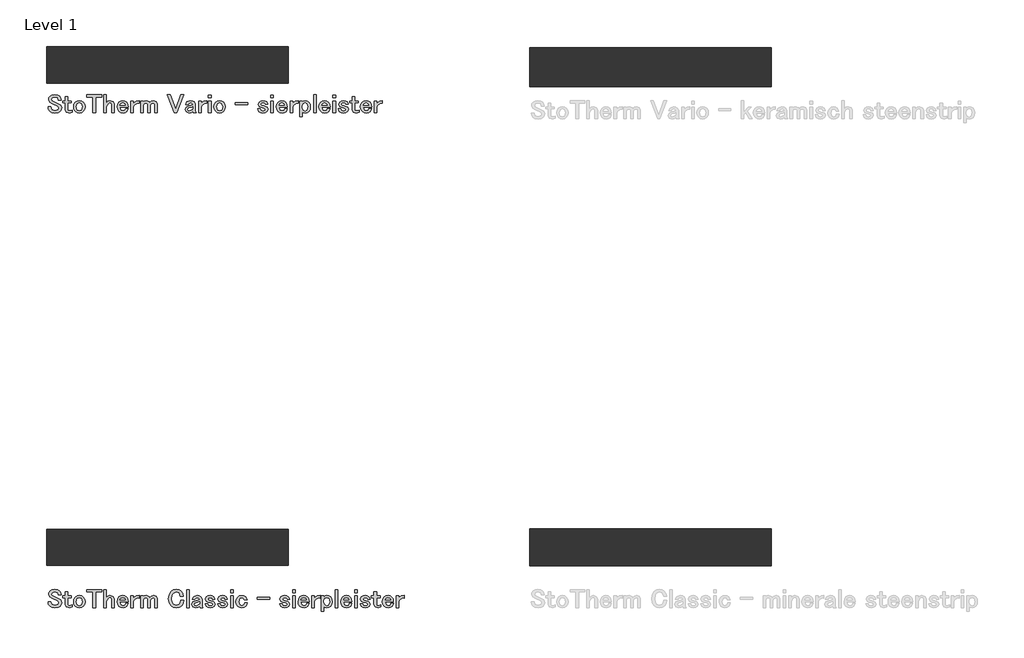
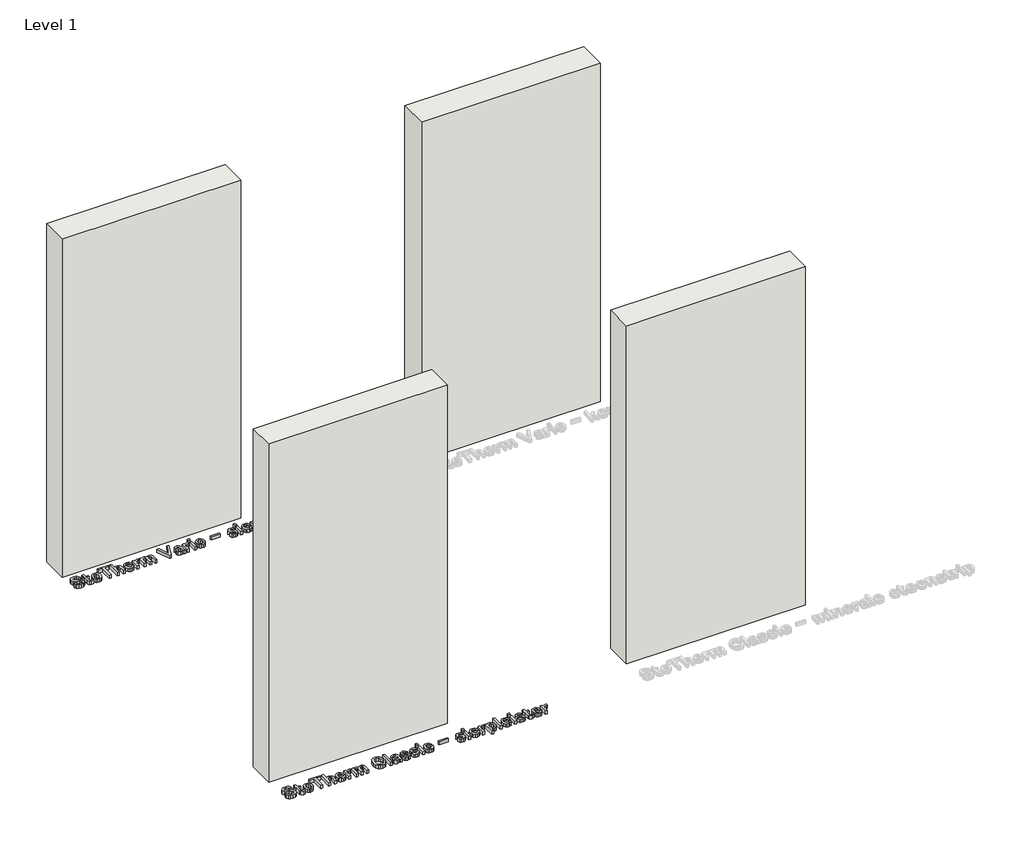
# One storey, part 1 of 3: 4 walls, 2 proxies.
"""IFC4 building model written with IfcOpenShell, lengths in millimetres."""

import ifcopenshell
import ifcopenshell.guid

model = None  # the IFC model being written
_history = None  # IfcOwnerHistory: only IFC2X3 demands one
_inside = {}  # id of a spatial element -> (the spatial element, [elements in it])
_under = {}  # id of a project, library or spatial element -> (it, [spatial elements below it])
_declared = {}  # id of a project -> (the project, [libraries it declares])
_typed = {}  # id of a type object -> (the type object, [elements of that type])
_made_of = {}  # id of a material, layer set ... -> (it, [elements and type objects made of it])


def new_model(schema):
    """Start an empty IFC model of exactly this schema.

    Asked for "IFC4X3", IfcOpenShell would pick the latest addendum, in which some entities
    have other attributes; the version numbers below select the first issue.
    IFC2X3 requires an IfcOwnerHistory on every rooted entity: one is made here for all.
    """
    global model, _history
    if schema == "IFC4X3":
        model = ifcopenshell.file(schema_version=(4, 3, 0, 0))
    else:
        model = ifcopenshell.file(schema=schema)
    _inside.clear()
    _under.clear()
    _declared.clear()
    _typed.clear()
    _made_of.clear()
    _history = None
    if model.schema == "IFC2X3":
        org = make("IfcOrganization", Name="unknown")
        user = make(
            "IfcPersonAndOrganization",
            ThePerson=make("IfcPerson", FamilyName="unknown"),
            TheOrganization=org,
        )
        app = make(
            "IfcApplication",
            ApplicationDeveloper=org,
            Version="unknown",
            ApplicationFullName="unknown",
            ApplicationIdentifier="unknown",
        )
        _history = make(
            "IfcOwnerHistory",
            OwningUser=user,
            OwningApplication=app,
            ChangeAction="ADDED",
            CreationDate=0,
        )
    return model


def make(cls, **values):
    """One entity of the class cls with the attributes given. An attribute that is None is left unset."""
    return model.create_entity(
        cls, **{name: value for name, value in values.items() if value is not None}
    )


def rooted(cls, **values):
    """An entity with a GlobalId (a new one), such as an element, a storey or a relation."""
    return make(cls, GlobalId=ifcopenshell.guid.new(), OwnerHistory=_history, **values)


def si_unit(unit_type, name, prefix=None):
    """IfcSIUnit, for example si_unit("LENGTHUNIT", "METRE", prefix="MILLI")."""
    return make("IfcSIUnit", UnitType=unit_type, Prefix=prefix, Name=name)


def assignment(units):
    """IfcUnitAssignment: the units of a project."""
    return None if units is None else make("IfcUnitAssignment", Units=units)


def point(xyz):
    """IfcCartesianPoint."""
    return None if xyz is None else make("IfcCartesianPoint", Coordinates=xyz)


def direction(xyz):
    """IfcDirection."""
    return None if xyz is None else make("IfcDirection", DirectionRatios=xyz)


def frame(location, z_axis=None, x_axis=None):
    """IfcAxis2Placement3D, a coordinate frame: its origin and axes. An axis left out is left unset."""
    return make(
        "IfcAxis2Placement3D",
        Location=point(location),
        Axis=direction(z_axis),
        RefDirection=direction(x_axis),
    )


def origin():
    """The frame at (0, 0, 0) with its axes left unset."""
    return frame((0.0, 0.0, 0.0))


def origin_with_axes():
    """The frame at (0, 0, 0) with the z axis (0, 0, 1) and the x axis (1, 0, 0) written out."""
    return frame((0.0, 0.0, 0.0), z_axis=(0.0, 0.0, 1.0), x_axis=(1.0, 0.0, 0.0))


def place(relative_to, where):
    """IfcLocalPlacement: puts the frame where relative to a parent placement (None: the world)."""
    return make(
        "IfcLocalPlacement", PlacementRelTo=relative_to, RelativePlacement=where
    )


def context(
    kind, dimensions, precision=None, world=None, true_north=None, identifier=None
):
    """IfcGeometricRepresentationContext, for example the 3D "Model" context."""
    return make(
        "IfcGeometricRepresentationContext",
        ContextIdentifier=identifier,
        ContextType=kind,
        CoordinateSpaceDimension=dimensions,
        Precision=precision,
        WorldCoordinateSystem=world,
        TrueNorth=true_north,
    )


def project(units=None, contexts=None):
    """IfcProject with its units and contexts."""
    return rooted(
        "IfcProject",
        Name="project",
        RepresentationContexts=contexts,
        UnitsInContext=assignment(units),
    )


def spatial(cls, under=None, at=None, **own):
    """A site, building, storey or space (cls), placed at a placement, below another one or the project."""
    s = rooted(cls, ObjectPlacement=at, **own)
    if under is not None:
        _under.setdefault(under.id(), (under, []))[1].append(s)
    return s


def polyline(points):
    """IfcPolyline through the points."""
    return make("IfcPolyline", Points=[point(p) for p in points])


def outline(outer, holes=None, kind="AREA"):
    """IfcArbitraryClosedProfileDef: a profile drawn as a closed curve; with holes, ...WithVoids."""
    if holes is None:
        return make("IfcArbitraryClosedProfileDef", ProfileType=kind, OuterCurve=outer)
    return make(
        "IfcArbitraryProfileDefWithVoids",
        ProfileType=kind,
        OuterCurve=outer,
        InnerCurves=holes,
    )


def extrude(swept, where, along, depth):
    """IfcExtrudedAreaSolid: the profile swept, set in the frame where, extruded along a direction by depth."""
    return make(
        "IfcExtrudedAreaSolid",
        SweptArea=swept,
        Position=where,
        ExtrudedDirection=direction(along),
        Depth=depth,
    )


def shape(context_of_items, identifier, shape_type, items):
    """IfcShapeRepresentation: the items that make up one representation, for example the "Body"."""
    return make(
        "IfcShapeRepresentation",
        ContextOfItems=context_of_items,
        RepresentationIdentifier=identifier,
        RepresentationType=shape_type,
        Items=items,
    )


def made_of(thing, what):
    """Note that an element or type object is made of a material, layer set ...; save() writes the relation."""
    if what is not None:
        _made_of.setdefault(what.id(), (what, []))[1].append(thing)
    return thing


def element(
    cls,
    number,
    at=None,
    inside=None,
    cuts=None,
    type_object=None,
    material=None,
    context=None,
    identifier="Body",
    shape_type=None,
    held_by="IfcProductDefinitionShape",
    body=None,
    shapes=None,
    **own,
):
    """One element of the class cls, such as IfcWall. Its Tag is "e" and its number.

    at: its placement. inside: the storey or other place that contains it. cuts: it is an
    opening in that element (IfcRelVoidsElement). A single representation is given by context,
    identifier, shape_type and body (its items); several are given by shapes. held_by: the class
    of the entity that holds the representations. save() writes the other relations.
    """
    e = rooted(cls, Tag="e%d" % number, ObjectPlacement=at, **own)
    if body is not None:
        shapes = [shape(context, identifier, shape_type, body)]
    if shapes is not None:
        e.Representation = make(held_by, Representations=shapes)
    if inside is not None:
        _inside.setdefault(inside.id(), (inside, []))[1].append(e)
    if cuts is not None:
        rooted(
            "IfcRelVoidsElement", RelatingBuildingElement=cuts, RelatedOpeningElement=e
        )
    if type_object is not None:
        _typed.setdefault(type_object.id(), (type_object, []))[1].append(e)
    return made_of(e, material)


def aggregate(whole, parts):
    """IfcRelAggregates: a whole, such as a stair, and the parts it consists of."""
    return rooted("IfcRelAggregates", RelatingObject=whole, RelatedObjects=parts)


def save(model, path):
    """Write the relations noted so far, then the file.

    IfcRelAggregates (storeys below a building ...), IfcRelContainedInSpatialStructure (elements
    in a storey), IfcRelDefinesByType, IfcRelAssociatesMaterial and IfcRelDeclares: one each for
    every whole, place, type object, material and project.
    """
    for whole, parts in _under.values():
        aggregate(whole, parts)
    for where, things in _inside.values():
        rooted(
            "IfcRelContainedInSpatialStructure",
            RelatedElements=things,
            RelatingStructure=where,
        )
    for kind, things in _typed.values():
        rooted("IfcRelDefinesByType", RelatedObjects=things, RelatingType=kind)
    for what, things in _made_of.values():
        rooted("IfcRelAssociatesMaterial", RelatedObjects=things, RelatingMaterial=what)
    for by, libraries in _declared.values():
        rooted("IfcRelDeclares", RelatingContext=by, RelatedDefinitions=libraries)
    model.write(path)


model = new_model("IFC4")

# Units and contexts
model_context = context("Model", 3, world=origin())
ifc_project = project(units=[si_unit("LENGTHUNIT", "METRE", prefix="MILLI")], contexts=[model_context])

# Site, building, storey
site = spatial("IfcSite", under=ifc_project)
building = spatial("IfcBuilding", under=site)
storey = spatial("IfcBuildingStorey", under=building, Name="Level 1", Elevation=0.0)

# Proxies
placement = place(None, origin())
element("IfcBuildingElementProxy", 1, Name="Generic Models", at=placement, inside=storey, context=model_context, shape_type="SweptSolid", body=[
    extrude(outline(polyline([(2967.1007315, 1042.1164993), (2968.6740526, 1049.8322385), (2973.394016, 1056.5996746), (2981.2390693, 1061.1903239), (2992.5324976, 1062.7205403), (3004.6621568, 1060.9748004), (3013.3606829, 1055.7375808), (3018.0935777, 1048.8322097), (3019.6712093, 1040.7026656), (3007.6536222, 1040.7026656), (3004.5500846, 1049.3925707), (2993.3945913, 1053.082332), (2981.7908093, 1049.8236176), (2979.1355605, 1043.3923981), (2980.5149105, 1038.2370774), (2987.8427075, 1034.0817854), (3010.0157591, 1024.2711584), (3016.7745742, 1019.8917221), (3021.8092018, 1008.4086332), (3020.2315702, 1000.3782297), (3015.4986754, 993.494411), (3006.8001494, 988.5804766), (2993.8083963, 986.9424984), (2980.8166433, 988.8994513), (2971.2560235, 994.7703098), (2966.8593453, 1001.9946555), (2965.3937859, 1011.9432176), (2977.4286148, 1011.9432176), (2980.5149105, 1000.684273), (2994.2394432, 996.1496598), (3006.6708353, 1000.270468), (3009.7743728, 1006.7016875), (3007.5329291, 1012.7018601), (3001.0155002, 1016.857152), (2989.9289744, 1021.977989), (2977.6010336, 1027.512631), (2971.2560235, 1031.4782623), (2967.1007315, 1042.1164993)])), origin_with_axes(), (0.0, 0.0, 1.0), 20.0),
    extrude(outline(polyline([(3036.5510052, 1053.3409601), (3047.2926935, 1053.3409601), (3047.2926935, 1036.6853086), (3061.8103524, 1036.6853086), (3061.8103524, 1028.754046), (3047.2926935, 1028.754046), (3047.2926935, 1001.5808505), (3049.1030904, 997.2703817), (3053.8790898, 995.7186129), (3065.6380488, 998.7186992), (3065.6380488, 989.8908591), (3054.2928948, 986.9424984), (3041.137344, 990.9426135), (3036.5510052, 1000.7187568), (3036.5510052, 1028.754046), (3026.3093312, 1028.754046), (3026.3093312, 1036.6853086), (3036.5510052, 1036.6853086), (3036.5510052, 1053.3409601)])), origin_with_axes(), (0.0, 0.0, 1.0), 20.0),
    extrude(outline(polyline([(3070.724402, 1012.2363295), (3072.6166978, 1022.5211081), (3078.2935852, 1030.9954898), (3085.7162125, 1035.9094242), (3094.8802692, 1037.5474024), (3104.0227736, 1035.9094242), (3111.4497114, 1030.9954898), (3117.1265988, 1022.5124871), (3119.0188946, 1012.2363295), (3117.1265988, 1001.9731032), (3111.4497114, 993.494411), (3104.0227736, 988.5804766), (3094.8802692, 986.9424984), (3085.7162125, 988.5804766), (3078.2935852, 993.494411), (3072.6166978, 1001.9644823), (3070.724402, 1012.2363295)]), holes=[polyline([(3094.8802692, 1028.754046), (3087.1214254, 1025.4953316), (3082.328184, 1012.2363295), (3086.6903785, 999.4083743), (3094.8802692, 995.7186129), (3103.0529181, 999.4083743), (3107.4323544, 1012.2363295), (3102.6218712, 1025.4953316), (3094.8802692, 1028.754046)])]), origin_with_axes(), (0.0, 0.0, 1.0), 20.0),
    extrude(outline(polyline([(3126.3984172, 1061.8756884), (3187.0725764, 1061.8756884), (3187.0725764, 1052.6512851), (3162.7442903, 1052.6512851), (3162.7442903, 987.7873503), (3150.7267033, 987.7873503), (3150.7267033, 1052.6512851), (3126.3984172, 1052.6512851), (3126.3984172, 1061.8756884)])), origin_with_axes(), (0.0, 0.0, 1.0), 20.0),
    extrude(outline(polyline([(3196.0211096, 1061.8756884), (3206.7627979, 1061.8756884), (3206.7627979, 1028.1505803), (3213.1509127, 1035.1981969), (3221.4528757, 1037.5474024), (3235.4532784, 1033.1162404), (3240.0568591, 1022.4780034), (3240.0568591, 987.7873503), (3229.3151708, 987.7873503), (3229.3151708, 1020.3572527), (3226.6426801, 1027.6333241), (3221.4528757, 1029.6161397), (3213.6940318, 1025.9263784), (3206.7627979, 1013.0984232), (3206.7627979, 987.7873503), (3196.0211096, 987.7873503), (3196.0211096, 1061.8756884)])), origin_with_axes(), (0.0, 0.0, 1.0), 20.0),
    extrude(outline(polyline([(3251.0226918, 1012.2363295), (3252.9149876, 1022.8400828), (3258.591875, 1031.4092948), (3265.6912172, 1036.0128755), (3274.7475122, 1037.5474024), (3283.5753523, 1035.9094242), (3290.8859074, 1030.9954898), (3295.6058708, 1023.0125015), (3297.1791919, 1011.6845895), (3262.6264738, 1011.6845895), (3266.5576214, 999.4083743), (3275.5923641, 995.7186129), (3283.3339661, 998.1324755), (3286.0236986, 1005.115435), (3297.6102388, 1005.115435), (3291.7307593, 992.6495591), (3284.8512511, 988.3692636), (3275.5923641, 986.9424984), (3265.7946684, 988.5804766), (3258.1608281, 993.494411), (3252.8072259, 1001.7489588), (3251.0226918, 1012.2363295)]), holes=[polyline([(3274.3164653, 1029.1850929), (3266.5576214, 1025.9263784), (3263.0402788, 1019.6158521), (3285.1616048, 1019.6158521), (3282.0580673, 1026.3574253), (3274.3164653, 1029.1850929)])]), origin_with_axes(), (0.0, 0.0, 1.0), 20.0),
    extrude(outline(polyline([(3321.6971386, 1030.5644429), (3330.2491087, 1035.8016625), (3341.9391001, 1037.5474024), (3341.9391001, 1027.0471003), (3336.14583, 1027.4781472), (3324.9730949, 1022.0814402), (3318.9039548, 1012.719102), (3318.9039548, 987.7873503), (3308.1622665, 987.7873503), (3308.1622665, 1036.6853086), (3318.9039548, 1036.6853086), (3318.9039548, 1024.736689), (3321.6971386, 1030.5644429)])), origin_with_axes(), (0.0, 0.0, 1.0), 20.0),
    extrude(outline(polyline([(3359.0430404, 987.7873503), (3348.3013521, 987.7873503), (3348.3013521, 1036.6853086), (3359.0430404, 1036.6853086), (3359.0430404, 1029.443721), (3363.8233503, 1035.521482), (3370.7502737, 1037.5474024), (3383.9058246, 1033.1162404), (3386.6472827, 1028.5816272), (3392.7810799, 1035.3059586), (3401.9063424, 1037.5474024), (3413.3377057, 1033.5472873), (3417.9412864, 1023.771144), (3417.9412864, 987.7873503), (3407.1995981, 987.7873503), (3407.1995981, 1022.0641984), (3405.8030062, 1025.9263784), (3400.6132017, 1028.340241), (3391.5784591, 1024.6504797), (3388.4921634, 1018.6503071), (3388.4921634, 987.7873503), (3377.7504751, 987.7873503), (3377.7504751, 1021.6331515), (3375.5090313, 1026.3574253), (3369.88818, 1028.340241), (3362.560383, 1025.0815265), (3359.0430404, 1018.2192602), (3359.0430404, 987.7873503)])), origin_with_axes(), (0.0, 0.0, 1.0), 20.0),
    extrude(outline(polyline([(3463.752949, 1024.6159959), (3466.4944072, 1041.5087232), (3474.7187817, 1054.461682), (3484.283712, 1060.6558257), (3496.4263026, 1062.7205403), (3508.3490594, 1060.8670387), (3517.254488, 1055.3065339), (3523.3667328, 1046.1726505), (3525.7030069, 1034.7369767), (3513.3060985, 1034.7369767), (3508.0128428, 1048.5477188), (3496.4263026, 1053.5133789), (3483.5466218, 1047.685625), (3478.0378427, 1038.2456983), (3476.2015829, 1024.6159959), (3478.0378427, 1010.9862935), (3483.5466218, 1001.5463668), (3496.4263026, 996.1496598), (3508.8576947, 1000.684273), (3513.1121274, 1007.8267199), (3514.5302717, 1017.9089064), (3526.9789056, 1017.9089064), (3524.5391803, 1004.4516228), (3518.1165817, 994.3565048), (3508.9870088, 988.796), (3496.4263026, 986.9424984), (3484.283712, 989.007213), (3474.7187817, 995.2013567), (3466.4944072, 1008.0465538), (3463.752949, 1024.6159959)])), origin_with_axes(), (0.0, 0.0, 1.0), 20.0),
    extrude(outline(polyline([(3538.962009, 1061.8756884), (3549.7036973, 1061.8756884), (3549.7036973, 987.7873503), (3538.962009, 987.7873503), (3538.962009, 1061.8756884)])), origin_with_axes(), (0.0, 0.0, 1.0), 20.0),
    extrude(outline(polyline([(3561.9626706, 1021.5124584), (3567.8076663, 1032.7024354), (3582.2563578, 1037.5474024), (3591.9376708, 1036.3361606), (3598.3947531, 1032.7024354), (3602.9983338, 1022.4780034), (3602.9983338, 995.5979198), (3606.4122251, 987.7873503), (3594.4291217, 987.7873503), (3592.2566455, 993.3392342), (3586.1400902, 988.5416824), (3577.1355208, 986.9424984), (3563.97997, 991.3564185), (3559.8246781, 1000.7187568), (3563.97997, 1010.9259469), (3576.5320552, 1016.6330077), (3585.2392022, 1018.7192746), (3592.2566455, 1020.9262346), (3589.9979598, 1026.3574253), (3583.5494984, 1028.754046), (3575.7906546, 1026.3574253), (3573.376792, 1021.5124584), (3561.9626706, 1021.5124584)]), holes=[polyline([(3592.2566455, 1012.1156363), (3588.8944798, 1010.8569794), (3577.807954, 1008.28794), (3573.2216151, 1005.8740775), (3571.4112182, 1001.5808505), (3573.2216151, 996.8393348), (3577.9976146, 995.7186129), (3589.1531079, 1000.270468), (3592.2566455, 1004.1326481), (3592.2566455, 1012.1156363)])]), origin_with_axes(), (0.0, 0.0, 1.0), 20.0),
    extrude(outline(polyline([(3616.4469965, 1022.4780034), (3620.6022884, 1032.2713885), (3627.0679916, 1036.2283989), (3635.9130737, 1037.5474024), (3645.2711015, 1036.3361606), (3651.620422, 1032.7024354), (3656.2067609, 1022.3573103), (3645.5340401, 1022.3573103), (3644.0684807, 1026.7884722), (3635.4820268, 1029.1850929), (3629.4301286, 1026.7884722), (3627.6197317, 1022.4780034), (3628.5680348, 1019.8917221), (3638.7062575, 1016.1847189), (3648.2237726, 1013.6156795), (3653.7584146, 1010.5121419), (3657.4999015, 1001.9946555), (3652.8963208, 992.2185123), (3646.1159534, 988.2615019), (3636.3268787, 986.9424984), (3626.537804, 988.2615019), (3619.7574365, 992.2185123), (3615.1710977, 1003.8395362), (3625.8438185, 1003.8395362), (3627.7231829, 998.1324755), (3635.9130737, 995.3048079), (3644.9305744, 997.7014286), (3646.3271663, 1001.5808505), (3644.4995276, 1005.0119837), (3639.4821418, 1007.4430881), (3627.8956017, 1010.4259326), (3620.6022884, 1013.9777589), (3616.4469965, 1022.4780034)])), origin_with_axes(), (0.0, 0.0, 1.0), 20.0),
    extrude(outline(polyline([(3668.3105573, 1022.4780034), (3672.4658493, 1032.2713885), (3678.9315525, 1036.2283989), (3687.7766345, 1037.5474024), (3697.1346623, 1036.3361606), (3703.4839829, 1032.7024354), (3708.0703217, 1022.3573103), (3697.3976009, 1022.3573103), (3695.9320415, 1026.7884722), (3687.3455876, 1029.1850929), (3681.2936894, 1026.7884722), (3679.4832925, 1022.4780034), (3680.4315956, 1019.8917221), (3690.5698183, 1016.1847189), (3700.0873335, 1013.6156795), (3705.6219754, 1010.5121419), (3709.3634624, 1001.9946555), (3704.7598817, 992.2185123), (3697.9795142, 988.2615019), (3688.1904395, 986.9424984), (3678.4013648, 988.2615019), (3671.6209974, 992.2185123), (3667.0346585, 1003.8395362), (3677.7073793, 1003.8395362), (3679.5867438, 998.1324755), (3687.7766345, 995.3048079), (3696.7941353, 997.7014286), (3698.1907272, 1001.5808505), (3696.3630884, 1005.0119837), (3691.3457027, 1007.4430881), (3679.7591625, 1010.4259326), (3672.4658493, 1013.9777589), (3668.3105573, 1022.4780034)])), origin_with_axes(), (0.0, 0.0, 1.0), 20.0),
    extrude(outline(polyline([(3721.0362119, 1061.4446415), (3731.7779002, 1061.4446415), (3731.7779002, 1049.2373938), (3721.0362119, 1049.2373938), (3721.0362119, 1061.4446415)])), origin_with_axes(), (0.0, 0.0, 1.0), 20.0),
    extrude(outline(polyline([(3721.0362119, 1036.6853086), (3731.7779002, 1036.6853086), (3731.7779002, 987.7873503), (3721.0362119, 987.7873503), (3721.0362119, 1036.6853086)])), origin_with_axes(), (0.0, 0.0, 1.0), 20.0),
    extrude(outline(polyline([(3743.1747798, 1011.8225245), (3744.9593139, 1022.3098951), (3750.3129162, 1030.5644429), (3757.7355435, 1035.4783773), (3766.8996002, 1037.1163555), (3776.3653897, 1035.797352), (3783.0379954, 1031.8403417), (3788.9174749, 1019.3744658), (3777.3826603, 1019.3744658), (3774.2101553, 1025.9263784), (3767.3306471, 1028.340241), (3759.5718032, 1025.0815265), (3754.7785619, 1011.3914776), (3759.1407563, 998.5635224), (3766.8996002, 995.3048079), (3775.4860541, 998.5635224), (3778.5895916, 1007.6672325), (3790.1933737, 1007.6672325), (3788.3915977, 999.0118111), (3783.8828473, 992.2185123), (3776.7921261, 987.9382167), (3766.8996002, 986.5114515), (3758.1665903, 988.0459784), (3751.1750099, 992.6495591), (3745.1748373, 1001.4342946), (3743.1747798, 1011.8225245)])), origin_with_axes(), (0.0, 0.0, 1.0), 20.0),
    extrude(outline(polyline([(3831.5221487, 1029.857526), (3882.3856808, 1029.857526), (3882.3856808, 1021.9262634), (3831.5221487, 1021.9262634), (3831.5221487, 1029.857526)])), origin_with_axes(), (0.0, 0.0, 1.0), 20.0),
    extrude(outline(polyline([(3925.4214015, 1022.4780034), (3929.5766934, 1032.2713885), (3936.0423967, 1036.2283989), (3944.8874787, 1037.5474024), (3954.2455065, 1036.3361606), (3960.5948271, 1032.7024354), (3965.1811659, 1022.3573103), (3954.5084451, 1022.3573103), (3953.0428857, 1026.7884722), (3944.4564318, 1029.1850929), (3938.4045336, 1026.7884722), (3936.5941367, 1022.4780034), (3937.5424398, 1019.8917221), (3947.6806625, 1016.1847189), (3957.1981776, 1013.6156795), (3962.7328196, 1010.5121419), (3966.4743065, 1001.9946555), (3961.8707258, 992.2185123), (3955.0903584, 988.2615019), (3945.3012837, 986.9424984), (3935.512209, 988.2615019), (3928.7318416, 992.2185123), (3924.1455027, 1003.8395362), (3934.8182235, 1003.8395362), (3936.6975879, 998.1324755), (3944.8874787, 995.3048079), (3953.9049795, 997.7014286), (3955.3015714, 1001.5808505), (3953.4739326, 1005.0119837), (3948.4565469, 1007.4430881), (3936.8700067, 1010.4259326), (3929.5766934, 1013.9777589), (3925.4214015, 1022.4780034)])), origin_with_axes(), (0.0, 0.0, 1.0), 20.0),
    extrude(outline(polyline([(3978.1470561, 1061.4446415), (3988.8887444, 1061.4446415), (3988.8887444, 1049.2373938), (3978.1470561, 1049.2373938), (3978.1470561, 1061.4446415)])), origin_with_axes(), (0.0, 0.0, 1.0), 20.0),
    extrude(outline(polyline([(3978.1470561, 1036.6853086), (3988.8887444, 1036.6853086), (3988.8887444, 987.7873503), (3978.1470561, 987.7873503), (3978.1470561, 1036.6853086)])), origin_with_axes(), (0.0, 0.0, 1.0), 20.0),
    extrude(outline(polyline([(4000.285624, 1012.2363295), (4002.1779198, 1022.8400828), (4007.8548072, 1031.4092948), (4014.9541494, 1036.0128755), (4024.0104444, 1037.5474024), (4032.8382845, 1035.9094242), (4040.1488396, 1030.9954898), (4044.868803, 1023.0125015), (4046.4421241, 1011.6845895), (4011.889406, 1011.6845895), (4015.8205536, 999.4083743), (4024.8552962, 995.7186129), (4032.5968982, 998.1324755), (4035.2866308, 1005.115435), (4046.873171, 1005.115435), (4040.9936915, 992.6495591), (4034.1141833, 988.3692636), (4024.8552962, 986.9424984), (4015.0576006, 988.5804766), (4007.4237603, 993.494411), (4002.0701581, 1001.7489588), (4000.285624, 1012.2363295)]), holes=[polyline([(4023.5793975, 1029.1850929), (4015.8205536, 1025.9263784), (4012.303211, 1019.6158521), (4034.424537, 1019.6158521), (4031.3209995, 1026.3574253), (4023.5793975, 1029.1850929)])]), origin_with_axes(), (0.0, 0.0, 1.0), 20.0),
    extrude(outline(polyline([(4070.9600707, 1030.5644429), (4079.5120409, 1035.8016625), (4091.2020323, 1037.5474024), (4091.2020323, 1027.0471003), (4085.4087622, 1027.4781472), (4074.2360271, 1022.0814402), (4068.166887, 1012.719102), (4068.166887, 987.7873503), (4057.4251987, 987.7873503), (4057.4251987, 1036.6853086), (4068.166887, 1036.6853086), (4068.166887, 1024.736689), (4070.9600707, 1030.5644429)])), origin_with_axes(), (0.0, 0.0, 1.0), 20.0),
    extrude(outline(polyline([(4107.4611207, 972.0110344), (4096.7194324, 972.0110344), (4096.7194324, 1036.6853086), (4107.4611207, 1036.6853086), (4107.4611207, 1031.1506666), (4112.1552213, 1035.9482184), (4119.582159, 1037.5474024), (4128.1987862, 1036.1206372), (4134.8757024, 1031.8403417), (4140.2422361, 1023.3616495), (4142.0310807, 1012.2363295), (4140.2422361, 1000.8006557), (4134.8757024, 992.2185123), (4128.1987862, 987.9382167), (4119.582159, 986.5114515), (4111.6724488, 988.2183972), (4107.4611207, 993.3392342), (4107.4611207, 972.0110344)]), holes=[polyline([(4119.582159, 1028.754046), (4111.3922683, 1025.0815265), (4107.4611207, 1015.2364158), (4107.4611207, 1009.253485), (4111.8233152, 998.9773274), (4119.582159, 995.3048079), (4126.0478623, 998.1324755), (4130.4272986, 1012.2363295), (4126.4789092, 1025.4953316), (4119.582159, 1028.754046)])]), origin_with_axes(), (0.0, 0.0, 1.0), 20.0),
    extrude(outline(polyline([(4154.703859, 1061.8756884), (4165.4455473, 1061.8756884), (4165.4455473, 987.7873503), (4154.703859, 987.7873503), (4154.703859, 1061.8756884)])), origin_with_axes(), (0.0, 0.0, 1.0), 20.0),
    extrude(outline(polyline([(4176.8424268, 1012.2363295), (4178.7347227, 1022.8400828), (4184.4116101, 1031.4092948), (4191.5109522, 1036.0128755), (4200.5672472, 1037.5474024), (4209.3950874, 1035.9094242), (4216.7056425, 1030.9954898), (4221.4256059, 1023.0125015), (4222.998927, 1011.6845895), (4188.4462089, 1011.6845895), (4192.3773565, 999.4083743), (4201.4120991, 995.7186129), (4209.1537011, 998.1324755), (4211.8434337, 1005.115435), (4223.4299739, 1005.115435), (4217.5504944, 992.6495591), (4210.6709861, 988.3692636), (4201.4120991, 986.9424984), (4191.6144035, 988.5804766), (4183.9805632, 993.494411), (4178.6269609, 1001.7489588), (4176.8424268, 1012.2363295)]), holes=[polyline([(4200.1362003, 1029.1850929), (4192.3773565, 1025.9263784), (4188.8600139, 1019.6158521), (4210.9813399, 1019.6158521), (4207.8778024, 1026.3574253), (4200.1362003, 1029.1850929)])]), origin_with_axes(), (0.0, 0.0, 1.0), 20.0),
    extrude(outline(polyline([(4235.2579003, 1061.4446415), (4245.9995886, 1061.4446415), (4245.9995886, 1049.2373938), (4235.2579003, 1049.2373938), (4235.2579003, 1061.4446415)])), origin_with_axes(), (0.0, 0.0, 1.0), 20.0),
    extrude(outline(polyline([(4235.2579003, 1036.6853086), (4245.9995886, 1036.6853086), (4245.9995886, 987.7873503), (4235.2579003, 987.7873503), (4235.2579003, 1036.6853086)])), origin_with_axes(), (0.0, 0.0, 1.0), 20.0),
    extrude(outline(polyline([(4258.6723669, 1022.4780034), (4262.8276589, 1032.2713885), (4269.2933621, 1036.2283989), (4278.1384441, 1037.5474024), (4287.4964719, 1036.3361606), (4293.8457925, 1032.7024354), (4298.4321313, 1022.3573103), (4287.7594105, 1022.3573103), (4286.2938511, 1026.7884722), (4277.7073972, 1029.1850929), (4271.655499, 1026.7884722), (4269.8451021, 1022.4780034), (4270.7934052, 1019.8917221), (4280.9316279, 1016.1847189), (4290.4491431, 1013.6156795), (4295.983785, 1010.5121419), (4299.725272, 1001.9946555), (4295.1216913, 992.2185123), (4288.3413238, 988.2615019), (4278.5522491, 986.9424984), (4268.7631744, 988.2615019), (4261.982807, 992.2185123), (4257.3964682, 1003.8395362), (4268.069189, 1003.8395362), (4269.9485534, 998.1324755), (4278.1384441, 995.3048079), (4287.1559449, 997.7014286), (4288.5525368, 1001.5808505), (4286.724898, 1005.0119837), (4281.7075123, 1007.4430881), (4270.1209721, 1010.4259326), (4262.8276589, 1013.9777589), (4258.6723669, 1022.4780034)])), origin_with_axes(), (0.0, 0.0, 1.0), 20.0),
    extrude(outline(polyline([(4314.380866, 1053.3409601), (4325.1225543, 1053.3409601), (4325.1225543, 1036.6853086), (4339.6402132, 1036.6853086), (4339.6402132, 1028.754046), (4325.1225543, 1028.754046), (4325.1225543, 1001.5808505), (4326.9329512, 997.2703817), (4331.7089506, 995.7186129), (4343.4679096, 998.7186992), (4343.4679096, 989.8908591), (4332.1227556, 986.9424984), (4318.9672048, 990.9426135), (4314.380866, 1000.7187568), (4314.380866, 1028.754046), (4304.139192, 1028.754046), (4304.139192, 1036.6853086), (4314.380866, 1036.6853086), (4314.380866, 1053.3409601)])), origin_with_axes(), (0.0, 0.0, 1.0), 20.0),
    extrude(outline(polyline([(4348.9853096, 1012.2363295), (4350.8776055, 1022.8400828), (4356.5544929, 1031.4092948), (4363.653835, 1036.0128755), (4372.71013, 1037.5474024), (4381.5379702, 1035.9094242), (4388.8485253, 1030.9954898), (4393.5684887, 1023.0125015), (4395.1418098, 1011.6845895), (4360.5890917, 1011.6845895), (4364.5202393, 999.4083743), (4373.5549819, 995.7186129), (4381.2965839, 998.1324755), (4383.9863165, 1005.115435), (4395.5728567, 1005.115435), (4389.6933772, 992.6495591), (4382.8138689, 988.3692636), (4373.5549819, 986.9424984), (4363.7572863, 988.5804766), (4356.123446, 993.494411), (4350.7698437, 1001.7489588), (4348.9853096, 1012.2363295)]), holes=[polyline([(4372.2790832, 1029.1850929), (4364.5202393, 1025.9263784), (4361.0028967, 1019.6158521), (4383.1242227, 1019.6158521), (4380.0206852, 1026.3574253), (4372.2790832, 1029.1850929)])]), origin_with_axes(), (0.0, 0.0, 1.0), 20.0),
    extrude(outline(polyline([(4419.6597564, 1030.5644429), (4428.2117266, 1035.8016625), (4439.901718, 1037.5474024), (4439.901718, 1027.0471003), (4434.1084479, 1027.4781472), (4422.9357127, 1022.0814402), (4416.8665726, 1012.719102), (4416.8665726, 987.7873503), (4406.1248843, 987.7873503), (4406.1248843, 1036.6853086), (4416.8665726, 1036.6853086), (4416.8665726, 1024.736689), (4419.6597564, 1030.5644429)])), origin_with_axes(), (0.0, 0.0, 1.0), 20.0),
])
element("IfcBuildingElementProxy", 2, Name="Generic Models", at=placement, inside=storey, context=model_context, shape_type="SweptSolid", body=[
    extrude(outline(polyline([(2967.1007315, 3092.1164993), (2968.6740526, 3099.8322385), (2973.394016, 3106.5996746), (2981.2390693, 3111.1903239), (2992.5324976, 3112.7205403), (3004.6621568, 3110.9748004), (3013.3606829, 3105.7375808), (3018.0935777, 3098.8322097), (3019.6712093, 3090.7026656), (3007.6536222, 3090.7026656), (3004.5500846, 3099.3925707), (2993.3945913, 3103.082332), (2981.7908093, 3099.8236176), (2979.1355605, 3093.3923981), (2980.5149105, 3088.2370774), (2987.8427075, 3084.0817854), (3010.0157591, 3074.2711584), (3016.7745742, 3069.8917221), (3021.8092018, 3058.4086332), (3020.2315702, 3050.3782297), (3015.4986754, 3043.494411), (3006.8001494, 3038.5804766), (2993.8083963, 3036.9424984), (2980.8166433, 3038.8994513), (2971.2560235, 3044.7703098), (2966.8593453, 3051.9946555), (2965.3937859, 3061.9432176), (2977.4286148, 3061.9432176), (2980.5149105, 3050.684273), (2994.2394432, 3046.1496598), (3006.6708353, 3050.270468), (3009.7743728, 3056.7016875), (3007.5329291, 3062.7018601), (3001.0155002, 3066.857152), (2989.9289744, 3071.977989), (2977.6010336, 3077.512631), (2971.2560235, 3081.4782623), (2967.1007315, 3092.1164993)])), origin_with_axes(), (0.0, 0.0, 1.0), 20.0),
    extrude(outline(polyline([(3036.5510052, 3103.3409601), (3047.2926935, 3103.3409601), (3047.2926935, 3086.6853086), (3061.8103524, 3086.6853086), (3061.8103524, 3078.754046), (3047.2926935, 3078.754046), (3047.2926935, 3051.5808505), (3049.1030904, 3047.2703817), (3053.8790898, 3045.7186129), (3065.6380488, 3048.7186992), (3065.6380488, 3039.8908591), (3054.2928948, 3036.9424984), (3041.137344, 3040.9426135), (3036.5510052, 3050.7187568), (3036.5510052, 3078.754046), (3026.3093312, 3078.754046), (3026.3093312, 3086.6853086), (3036.5510052, 3086.6853086), (3036.5510052, 3103.3409601)])), origin_with_axes(), (0.0, 0.0, 1.0), 20.0),
    extrude(outline(polyline([(3070.724402, 3062.2363295), (3072.6166978, 3072.5211081), (3078.2935852, 3080.9954898), (3085.7162125, 3085.9094242), (3094.8802692, 3087.5474024), (3104.0227736, 3085.9094242), (3111.4497114, 3080.9954898), (3117.1265988, 3072.5124871), (3119.0188946, 3062.2363295), (3117.1265988, 3051.9731032), (3111.4497114, 3043.494411), (3104.0227736, 3038.5804766), (3094.8802692, 3036.9424984), (3085.7162125, 3038.5804766), (3078.2935852, 3043.494411), (3072.6166978, 3051.9644823), (3070.724402, 3062.2363295)]), holes=[polyline([(3094.8802692, 3078.754046), (3087.1214254, 3075.4953316), (3082.328184, 3062.2363295), (3086.6903785, 3049.4083743), (3094.8802692, 3045.7186129), (3103.0529181, 3049.4083743), (3107.4323544, 3062.2363295), (3102.6218712, 3075.4953316), (3094.8802692, 3078.754046)])]), origin_with_axes(), (0.0, 0.0, 1.0), 20.0),
    extrude(outline(polyline([(3126.3984172, 3111.8756884), (3187.0725764, 3111.8756884), (3187.0725764, 3102.6512851), (3162.7442903, 3102.6512851), (3162.7442903, 3037.7873503), (3150.7267033, 3037.7873503), (3150.7267033, 3102.6512851), (3126.3984172, 3102.6512851), (3126.3984172, 3111.8756884)])), origin_with_axes(), (0.0, 0.0, 1.0), 20.0),
    extrude(outline(polyline([(3196.0211096, 3111.8756884), (3206.7627979, 3111.8756884), (3206.7627979, 3078.1505803), (3213.1509127, 3085.1981969), (3221.4528757, 3087.5474024), (3235.4532784, 3083.1162404), (3240.0568591, 3072.4780034), (3240.0568591, 3037.7873503), (3229.3151708, 3037.7873503), (3229.3151708, 3070.3572527), (3226.6426801, 3077.6333241), (3221.4528757, 3079.6161397), (3213.6940318, 3075.9263784), (3206.7627979, 3063.0984232), (3206.7627979, 3037.7873503), (3196.0211096, 3037.7873503), (3196.0211096, 3111.8756884)])), origin_with_axes(), (0.0, 0.0, 1.0), 20.0),
    extrude(outline(polyline([(3251.0226918, 3062.2363295), (3252.9149876, 3072.8400828), (3258.591875, 3081.4092948), (3265.6912172, 3086.0128755), (3274.7475122, 3087.5474024), (3283.5753523, 3085.9094242), (3290.8859074, 3080.9954898), (3295.6058708, 3073.0125015), (3297.1791919, 3061.6845895), (3262.6264738, 3061.6845895), (3266.5576214, 3049.4083743), (3275.5923641, 3045.7186129), (3283.3339661, 3048.1324755), (3286.0236986, 3055.115435), (3297.6102388, 3055.115435), (3291.7307593, 3042.6495591), (3284.8512511, 3038.3692636), (3275.5923641, 3036.9424984), (3265.7946684, 3038.5804766), (3258.1608281, 3043.494411), (3252.8072259, 3051.7489588), (3251.0226918, 3062.2363295)]), holes=[polyline([(3274.3164653, 3079.1850929), (3266.5576214, 3075.9263784), (3263.0402788, 3069.6158521), (3285.1616048, 3069.6158521), (3282.0580673, 3076.3574253), (3274.3164653, 3079.1850929)])]), origin_with_axes(), (0.0, 0.0, 1.0), 20.0),
    extrude(outline(polyline([(3321.6971386, 3080.5644429), (3330.2491087, 3085.8016625), (3341.9391001, 3087.5474024), (3341.9391001, 3077.0471003), (3336.14583, 3077.4781472), (3324.9730949, 3072.0814402), (3318.9039548, 3062.719102), (3318.9039548, 3037.7873503), (3308.1622665, 3037.7873503), (3308.1622665, 3086.6853086), (3318.9039548, 3086.6853086), (3318.9039548, 3074.736689), (3321.6971386, 3080.5644429)])), origin_with_axes(), (0.0, 0.0, 1.0), 20.0),
    extrude(outline(polyline([(3359.0430404, 3037.7873503), (3348.3013521, 3037.7873503), (3348.3013521, 3086.6853086), (3359.0430404, 3086.6853086), (3359.0430404, 3079.443721), (3363.8233503, 3085.521482), (3370.7502737, 3087.5474024), (3383.9058246, 3083.1162404), (3386.6472827, 3078.5816272), (3392.7810799, 3085.3059586), (3401.9063424, 3087.5474024), (3413.3377057, 3083.5472873), (3417.9412864, 3073.771144), (3417.9412864, 3037.7873503), (3407.1995981, 3037.7873503), (3407.1995981, 3072.0641984), (3405.8030062, 3075.9263784), (3400.6132017, 3078.340241), (3391.5784591, 3074.6504797), (3388.4921634, 3068.6503071), (3388.4921634, 3037.7873503), (3377.7504751, 3037.7873503), (3377.7504751, 3071.6331515), (3375.5090313, 3076.3574253), (3369.88818, 3078.340241), (3362.560383, 3075.0815265), (3359.0430404, 3068.2192602), (3359.0430404, 3037.7873503)])), origin_with_axes(), (0.0, 0.0, 1.0), 20.0),
    extrude(outline(polyline([(3459.4769639, 3112.2894934), (3471.7014535, 3112.2894934), (3493.4434582, 3052.9774424), (3515.1682211, 3112.2894934), (3527.4099525, 3112.2894934), (3498.167732, 3037.3735453), (3488.7019425, 3037.3735453), (3459.4769639, 3112.2894934)])), origin_with_axes(), (0.0, 0.0, 1.0), 20.0),
    extrude(outline(polyline([(3534.3756701, 3071.5124584), (3540.2206659, 3082.7024354), (3554.6693573, 3087.5474024), (3564.3506703, 3086.3361606), (3570.8077526, 3082.7024354), (3575.4113333, 3072.4780034), (3575.4113333, 3045.5979198), (3578.8252246, 3037.7873503), (3566.8421213, 3037.7873503), (3564.669645, 3043.3392342), (3558.5530898, 3038.5416824), (3549.5485204, 3036.9424984), (3536.3929695, 3041.3564185), (3532.2376776, 3050.7187568), (3536.3929695, 3060.9259469), (3548.9450548, 3066.6330077), (3557.6522018, 3068.7192746), (3564.669645, 3070.9262346), (3562.4109593, 3076.3574253), (3555.962498, 3078.754046), (3548.2036541, 3076.3574253), (3545.7897916, 3071.5124584), (3534.3756701, 3071.5124584)]), holes=[polyline([(3564.669645, 3062.1156363), (3561.3074793, 3060.8569794), (3550.2209535, 3058.28794), (3545.6346147, 3055.8740775), (3543.8242178, 3051.5808505), (3545.6346147, 3046.8393348), (3550.4106141, 3045.7186129), (3561.5661075, 3050.270468), (3564.669645, 3054.1326481), (3564.669645, 3062.1156363)])]), origin_with_axes(), (0.0, 0.0, 1.0), 20.0),
    extrude(outline(polyline([(3601.9810631, 3080.5644429), (3610.5330333, 3085.8016625), (3622.2230247, 3087.5474024), (3622.2230247, 3077.0471003), (3616.4297546, 3077.4781472), (3605.2570194, 3072.0814402), (3599.1878793, 3062.719102), (3599.1878793, 3037.7873503), (3588.446191, 3037.7873503), (3588.446191, 3086.6853086), (3599.1878793, 3086.6853086), (3599.1878793, 3074.736689), (3601.9810631, 3080.5644429)])), origin_with_axes(), (0.0, 0.0, 1.0), 20.0),
    extrude(outline(polyline([(3629.4473704, 3111.4446415), (3640.1890587, 3111.4446415), (3640.1890587, 3099.2373938), (3629.4473704, 3099.2373938), (3629.4473704, 3111.4446415)])), origin_with_axes(), (0.0, 0.0, 1.0), 20.0),
    extrude(outline(polyline([(3629.4473704, 3086.6853086), (3640.1890587, 3086.6853086), (3640.1890587, 3037.7873503), (3629.4473704, 3037.7873503), (3629.4473704, 3086.6853086)])), origin_with_axes(), (0.0, 0.0, 1.0), 20.0),
    extrude(outline(polyline([(3651.1548914, 3062.2363295), (3653.0471872, 3072.5211081), (3658.7240747, 3080.9954898), (3666.146702, 3085.9094242), (3675.3107587, 3087.5474024), (3684.453263, 3085.9094242), (3691.8802008, 3080.9954898), (3697.5570883, 3072.5124871), (3699.4493841, 3062.2363295), (3697.5570883, 3051.9731032), (3691.8802008, 3043.494411), (3684.453263, 3038.5804766), (3675.3107587, 3036.9424984), (3666.146702, 3038.5804766), (3658.7240747, 3043.494411), (3653.0471872, 3051.9644823), (3651.1548914, 3062.2363295)]), holes=[polyline([(3675.3107587, 3078.754046), (3667.5519148, 3075.4953316), (3662.7586735, 3062.2363295), (3667.1208679, 3049.4083743), (3675.3107587, 3045.7186129), (3683.4834076, 3049.4083743), (3687.8628439, 3062.2363295), (3683.0523607, 3075.4953316), (3675.3107587, 3078.754046)])]), origin_with_axes(), (0.0, 0.0, 1.0), 20.0),
    extrude(outline(polyline([(3741.0367873, 3079.857526), (3791.9003193, 3079.857526), (3791.9003193, 3071.9262634), (3741.0367873, 3071.9262634), (3741.0367873, 3079.857526)])), origin_with_axes(), (0.0, 0.0, 1.0), 20.0),
    extrude(outline(polyline([(3834.93604, 3072.4780034), (3839.091332, 3082.2713885), (3845.5570352, 3086.2283989), (3854.4021172, 3087.5474024), (3863.760145, 3086.3361606), (3870.1094656, 3082.7024354), (3874.6958044, 3072.3573103), (3864.0230836, 3072.3573103), (3862.5575242, 3076.7884722), (3853.9710703, 3079.1850929), (3847.9191721, 3076.7884722), (3846.1087752, 3072.4780034), (3847.0570784, 3069.8917221), (3857.195301, 3066.1847189), (3866.7128162, 3063.6156795), (3872.2474581, 3060.5121419), (3875.9889451, 3051.9946555), (3871.3853644, 3042.2185123), (3864.6049969, 3038.2615019), (3854.8159222, 3036.9424984), (3845.0268475, 3038.2615019), (3838.2464801, 3042.2185123), (3833.6601413, 3053.8395362), (3844.3328621, 3053.8395362), (3846.2122265, 3048.1324755), (3854.4021172, 3045.3048079), (3863.419618, 3047.7014286), (3864.8162099, 3051.5808505), (3862.9885711, 3055.0119837), (3857.9711854, 3057.4430881), (3846.3846452, 3060.4259326), (3839.091332, 3063.9777589), (3834.93604, 3072.4780034)])), origin_with_axes(), (0.0, 0.0, 1.0), 20.0),
    extrude(outline(polyline([(3887.6616946, 3111.4446415), (3898.4033829, 3111.4446415), (3898.4033829, 3099.2373938), (3887.6616946, 3099.2373938), (3887.6616946, 3111.4446415)])), origin_with_axes(), (0.0, 0.0, 1.0), 20.0),
    extrude(outline(polyline([(3887.6616946, 3086.6853086), (3898.4033829, 3086.6853086), (3898.4033829, 3037.7873503), (3887.6616946, 3037.7873503), (3887.6616946, 3086.6853086)])), origin_with_axes(), (0.0, 0.0, 1.0), 20.0),
    extrude(outline(polyline([(3909.8002625, 3062.2363295), (3911.6925583, 3072.8400828), (3917.3694457, 3081.4092948), (3924.4687879, 3086.0128755), (3933.5250829, 3087.5474024), (3942.352923, 3085.9094242), (3949.6634781, 3080.9954898), (3954.3834415, 3073.0125015), (3955.9567626, 3061.6845895), (3921.4040446, 3061.6845895), (3925.3351921, 3049.4083743), (3934.3699348, 3045.7186129), (3942.1115368, 3048.1324755), (3944.8012693, 3055.115435), (3956.3878095, 3055.115435), (3950.50833, 3042.6495591), (3943.6288218, 3038.3692636), (3934.3699348, 3036.9424984), (3924.5722391, 3038.5804766), (3916.9383989, 3043.494411), (3911.5847966, 3051.7489588), (3909.8002625, 3062.2363295)]), holes=[polyline([(3933.094036, 3079.1850929), (3925.3351921, 3075.9263784), (3921.8178496, 3069.6158521), (3943.9391756, 3069.6158521), (3940.835638, 3076.3574253), (3933.094036, 3079.1850929)])]), origin_with_axes(), (0.0, 0.0, 1.0), 20.0),
    extrude(outline(polyline([(3980.4747093, 3080.5644429), (3989.0266794, 3085.8016625), (4000.7166709, 3087.5474024), (4000.7166709, 3077.0471003), (3994.9234008, 3077.4781472), (3983.7506656, 3072.0814402), (3977.6815255, 3062.719102), (3977.6815255, 3037.7873503), (3966.9398372, 3037.7873503), (3966.9398372, 3086.6853086), (3977.6815255, 3086.6853086), (3977.6815255, 3074.736689), (3980.4747093, 3080.5644429)])), origin_with_axes(), (0.0, 0.0, 1.0), 20.0),
    extrude(outline(polyline([(4016.9757592, 3022.0110344), (4006.2340709, 3022.0110344), (4006.2340709, 3086.6853086), (4016.9757592, 3086.6853086), (4016.9757592, 3081.1506666), (4021.6698598, 3085.9482184), (4029.0967976, 3087.5474024), (4037.7134247, 3086.1206372), (4044.3903409, 3081.8403417), (4049.7568746, 3073.3616495), (4051.5457192, 3062.2363295), (4049.7568746, 3050.8006557), (4044.3903409, 3042.2185123), (4037.7134247, 3037.9382167), (4029.0967976, 3036.5114515), (4021.1870873, 3038.2183972), (4016.9757592, 3043.3392342), (4016.9757592, 3022.0110344)]), holes=[polyline([(4029.0967976, 3078.754046), (4020.9069068, 3075.0815265), (4016.9757592, 3065.2364158), (4016.9757592, 3059.253485), (4021.3379537, 3048.9773274), (4029.0967976, 3045.3048079), (4035.5625008, 3048.1324755), (4039.9419371, 3062.2363295), (4035.9935477, 3075.4953316), (4029.0967976, 3078.754046)])]), origin_with_axes(), (0.0, 0.0, 1.0), 20.0),
    extrude(outline(polyline([(4064.2184975, 3111.8756884), (4074.9601858, 3111.8756884), (4074.9601858, 3037.7873503), (4064.2184975, 3037.7873503), (4064.2184975, 3111.8756884)])), origin_with_axes(), (0.0, 0.0, 1.0), 20.0),
    extrude(outline(polyline([(4086.3570654, 3062.2363295), (4088.2493612, 3072.8400828), (4093.9262486, 3081.4092948), (4101.0255908, 3086.0128755), (4110.0818858, 3087.5474024), (4118.9097259, 3085.9094242), (4126.220281, 3080.9954898), (4130.9402444, 3073.0125015), (4132.5135655, 3061.6845895), (4097.9608474, 3061.6845895), (4101.891995, 3049.4083743), (4110.9267376, 3045.7186129), (4118.6683396, 3048.1324755), (4121.3580722, 3055.115435), (4132.9446124, 3055.115435), (4127.0651329, 3042.6495591), (4120.1856247, 3038.3692636), (4110.9267376, 3036.9424984), (4101.129042, 3038.5804766), (4093.4952017, 3043.494411), (4088.1415995, 3051.7489588), (4086.3570654, 3062.2363295)]), holes=[polyline([(4109.6508389, 3079.1850929), (4101.891995, 3075.9263784), (4098.3746524, 3069.6158521), (4120.4959784, 3069.6158521), (4117.3924409, 3076.3574253), (4109.6508389, 3079.1850929)])]), origin_with_axes(), (0.0, 0.0, 1.0), 20.0),
    extrude(outline(polyline([(4144.7725388, 3111.4446415), (4155.5142271, 3111.4446415), (4155.5142271, 3099.2373938), (4144.7725388, 3099.2373938), (4144.7725388, 3111.4446415)])), origin_with_axes(), (0.0, 0.0, 1.0), 20.0),
    extrude(outline(polyline([(4144.7725388, 3086.6853086), (4155.5142271, 3086.6853086), (4155.5142271, 3037.7873503), (4144.7725388, 3037.7873503), (4144.7725388, 3086.6853086)])), origin_with_axes(), (0.0, 0.0, 1.0), 20.0),
    extrude(outline(polyline([(4168.1870055, 3072.4780034), (4172.3422974, 3082.2713885), (4178.8080006, 3086.2283989), (4187.6530826, 3087.5474024), (4197.0111105, 3086.3361606), (4203.360431, 3082.7024354), (4207.9467699, 3072.3573103), (4197.2740491, 3072.3573103), (4195.8084897, 3076.7884722), (4187.2220358, 3079.1850929), (4181.1701375, 3076.7884722), (4179.3597406, 3072.4780034), (4180.3080438, 3069.8917221), (4190.4462664, 3066.1847189), (4199.9637816, 3063.6156795), (4205.4984236, 3060.5121419), (4209.2399105, 3051.9946555), (4204.6363298, 3042.2185123), (4197.8559623, 3038.2615019), (4188.0668877, 3036.9424984), (4178.277813, 3038.2615019), (4171.4974455, 3042.2185123), (4166.9111067, 3053.8395362), (4177.5838275, 3053.8395362), (4179.4631919, 3048.1324755), (4187.6530826, 3045.3048079), (4196.6705834, 3047.7014286), (4198.0671753, 3051.5808505), (4196.2395365, 3055.0119837), (4191.2221508, 3057.4430881), (4179.6356106, 3060.4259326), (4172.3422974, 3063.9777589), (4168.1870055, 3072.4780034)])), origin_with_axes(), (0.0, 0.0, 1.0), 20.0),
    extrude(outline(polyline([(4223.8955045, 3103.3409601), (4234.6371928, 3103.3409601), (4234.6371928, 3086.6853086), (4249.1548518, 3086.6853086), (4249.1548518, 3078.754046), (4234.6371928, 3078.754046), (4234.6371928, 3051.5808505), (4236.4475897, 3047.2703817), (4241.2235891, 3045.7186129), (4252.9825481, 3048.7186992), (4252.9825481, 3039.8908591), (4241.6373942, 3036.9424984), (4228.4818433, 3040.9426135), (4223.8955045, 3050.7187568), (4223.8955045, 3078.754046), (4213.6538306, 3078.754046), (4213.6538306, 3086.6853086), (4223.8955045, 3086.6853086), (4223.8955045, 3103.3409601)])), origin_with_axes(), (0.0, 0.0, 1.0), 20.0),
    extrude(outline(polyline([(4258.4999482, 3062.2363295), (4260.392244, 3072.8400828), (4266.0691314, 3081.4092948), (4273.1684736, 3086.0128755), (4282.2247686, 3087.5474024), (4291.0526087, 3085.9094242), (4298.3631638, 3080.9954898), (4303.0831272, 3073.0125015), (4304.6564483, 3061.6845895), (4270.1037302, 3061.6845895), (4274.0348778, 3049.4083743), (4283.0696204, 3045.7186129), (4290.8112225, 3048.1324755), (4293.500955, 3055.115435), (4305.0874952, 3055.115435), (4299.2080157, 3042.6495591), (4292.3285075, 3038.3692636), (4283.0696204, 3036.9424984), (4273.2719248, 3038.5804766), (4265.6380845, 3043.494411), (4260.2844823, 3051.7489588), (4258.4999482, 3062.2363295)]), holes=[polyline([(4281.7937217, 3079.1850929), (4274.0348778, 3075.9263784), (4270.5175352, 3069.6158521), (4292.6388612, 3069.6158521), (4289.5353237, 3076.3574253), (4281.7937217, 3079.1850929)])]), origin_with_axes(), (0.0, 0.0, 1.0), 20.0),
    extrude(outline(polyline([(4329.1743949, 3080.5644429), (4337.7263651, 3085.8016625), (4349.4163565, 3087.5474024), (4349.4163565, 3077.0471003), (4343.6230864, 3077.4781472), (4332.4503513, 3072.0814402), (4326.3812112, 3062.719102), (4326.3812112, 3037.7873503), (4315.6395229, 3037.7873503), (4315.6395229, 3086.6853086), (4326.3812112, 3086.6853086), (4326.3812112, 3074.736689), (4329.1743949, 3080.5644429)])), origin_with_axes(), (0.0, 0.0, 1.0), 20.0),
])

# Walls
element("IfcWall", 3, at=placement, inside=storey, context=model_context, shape_type="SweptSolid", body=[
    extrude(outline(polyline([(5958.9970501, 1160.0114515), (4958.9970501, 1160.0114515), (4958.9970501, 1313.0114515), (5958.9970501, 1313.0114515), (5958.9970501, 1160.0114515)])), origin_with_axes(), (0.0, 0.0, 1.0), 2000.0),
])
element("IfcWall", 4, at=placement, inside=storey, context=model_context, shape_type="SweptSolid", body=[
    extrude(outline(polyline([(3958.9970501, 3161.0114515), (2958.9970501, 3161.0114515), (2958.9970501, 3312.0114515), (3958.9970501, 3312.0114515), (3958.9970501, 3161.0114515)])), origin_with_axes(), (0.0, 0.0, 1.0), 2000.0),
])
element("IfcWall", 5, at=placement, inside=storey, context=model_context, shape_type="SweptSolid", body=[
    extrude(outline(polyline([(5958.9970501, 3144.8064919), (4958.9970501, 3144.8064919), (4958.9970501, 3307.8064919), (5958.9970501, 3307.8064919), (5958.9970501, 3144.8064919)])), origin_with_axes(), (0.0, 0.0, 1.0), 2000.0),
])
element("IfcWall", 6, at=placement, inside=storey, context=model_context, shape_type="SweptSolid", body=[
    extrude(outline(polyline([(3958.9970501, 1161.5114515), (2958.9970501, 1161.5114515), (2958.9970501, 1311.5114515), (3958.9970501, 1311.5114515), (3958.9970501, 1161.5114515)])), origin_with_axes(), (0.0, 0.0, 1.0), 2000.0),
])

save(model, "model.ifc")
